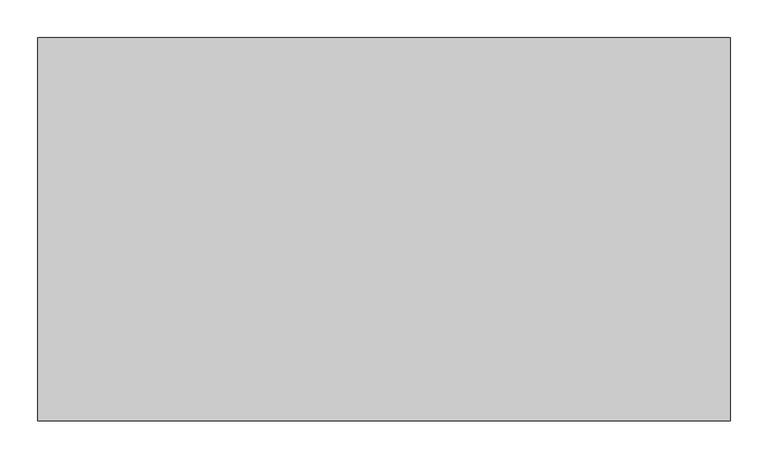
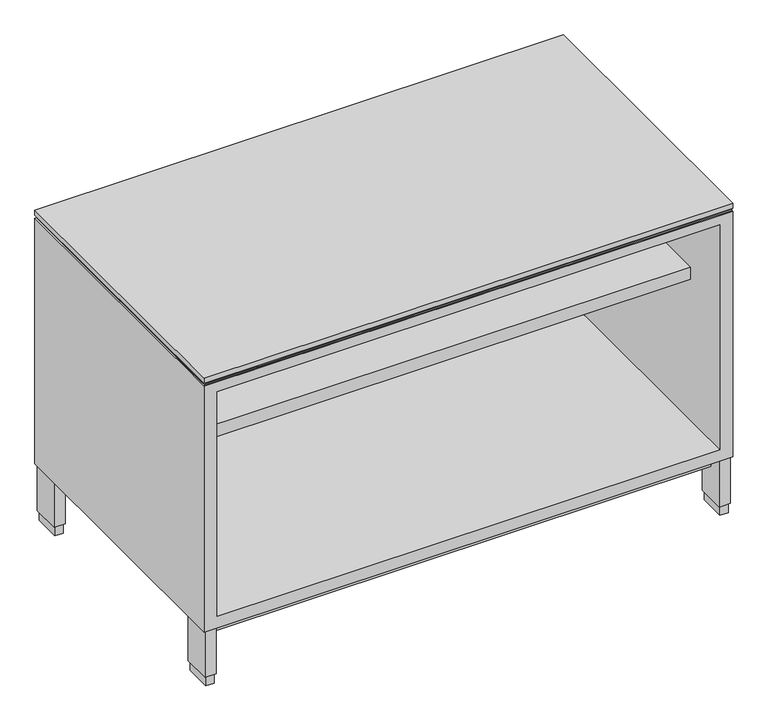
"""IFC4 building model written with IfcOpenShell, lengths in millimetres: furniture geometry."""

from ifc_helpers import new_model, si_unit, frame, origin, origin_with_axes, place, context, project, spatial, polyline, outline, extrude, faceted_brep, source, transform, mapped, element, save


def furniture_362fde4c(model_context):
    return source(origin(), model_context, "Body", "SolidModel", [
        extrude(outline(polyline([(21.2979, -5.715), (21.2979, -52.197), (6.5659, -52.197), (6.5659, -5.715), (21.2979, -5.715)])), origin_with_axes(), (0.0, 0.0, 1.0), 17.399),
        extrude(outline(polyline([(907.8341, -5.715), (907.8341, -52.197), (893.1021, -52.197), (893.1021, -5.715), (907.8341, -5.715)])), origin_with_axes(), (0.0, 0.0, 1.0), 17.399),
        extrude(outline(polyline([(907.8341, -456.057), (907.8341, -502.539), (893.1021, -502.539), (893.1021, -456.057), (907.8341, -456.057)])), origin_with_axes(), (0.0, 0.0, 1.0), 17.399),
        extrude(outline(polyline([(21.2979, -456.057), (21.2979, -502.539), (6.5659, -502.539), (6.5659, -456.057), (21.2979, -456.057)])), origin_with_axes(), (0.0, 0.0, 1.0), 17.399),
        extrude(outline(polyline([(23.4569, -3.556), (23.4569, -54.356), (4.4069, -54.356), (4.4069, -3.556), (23.4569, -3.556)])), frame((0.0, 0.0, 17.399), z_axis=(0.0, 0.0, 1.0), x_axis=(1.0, 0.0, 0.0)), (0.0, 0.0, 1.0), 84.709),
        extrude(outline(polyline([(909.9931, -3.556), (909.9931, -54.356), (890.9431, -54.356), (890.9431, -3.556), (909.9931, -3.556)])), frame((0.0, 0.0, 17.399), z_axis=(0.0, 0.0, 1.0), x_axis=(1.0, 0.0, 0.0)), (0.0, 0.0, 1.0), 84.709),
        extrude(outline(polyline([(909.9931, -453.898), (909.9931, -504.698), (890.9431, -504.698), (890.9431, -453.898), (909.9931, -453.898)])), frame((0.0, 0.0, 17.399), z_axis=(0.0, 0.0, 1.0), x_axis=(1.0, 0.0, 0.0)), (0.0, 0.0, 1.0), 84.709),
        extrude(outline(polyline([(23.4569, -453.898), (23.4569, -504.698), (4.4069, -504.698), (4.4069, -453.898), (23.4569, -453.898)])), frame((0.0, 0.0, 17.399), z_axis=(0.0, 0.0, 1.0), x_axis=(1.0, 0.0, 0.0)), (0.0, 0.0, 1.0), 84.709),
        extrude(outline(polyline([(912.114, -504.444), (3.8735, -504.444), (3.8735, -2.3114), (912.114, -2.3114), (912.114, -504.444)])), frame((0.0, 0.0, 549.783), z_axis=(0.0, 0.0, 1.0), x_axis=(1.0, 0.0, 0.0)), (0.0, 0.0, 1.0), 1.905),
        extrude(outline(polyline([(912.8125, -506.349), (1.5875, -506.349), (1.5875, -1.524), (912.8125, -1.524), (912.8125, -506.349)])), frame((0.0, 0.0, 554.863), z_axis=(0.0, 0.0, 1.0), x_axis=(1.0, 0.0, 0.0)), (0.0, 0.0, 1.0), 9.525),
        extrude(outline(polyline([(890.5875, -419.2524), (23.8125, -419.2524), (23.8125, -23.749), (890.5875, -23.749), (890.5875, -419.2524)])), frame((0.0, 0.0, 380.111), z_axis=(0.0, 0.0, 1.0), x_axis=(1.0, 0.0, 0.0)), (0.0, 0.0, 1.0), 22.225),
        extrude(outline(polyline([(890.9431, -480.5537946), (23.4569, -480.5537946), (23.4569, -26.9983538), (890.9431, -26.9983538), (890.9431, -480.5537946)])), frame((0.0, 0.0, 76.708), z_axis=(0.0, 0.0, 1.0), x_axis=(1.0, 0.0, 0.0)), (0.0, 0.0, 1.0), 25.4),
        faceted_brep([(912.8125, -506.349, 549.783), (1.5875, -506.349, 549.783), (1.5875, -506.349, 102.108), (912.8125, -506.349, 102.108), (23.8125, -506.349, 532.3078), (890.5875, -506.349, 532.3078), (890.5875, -506.349, 122.7582), (23.8125, -506.349, 122.7582), (912.8125, -1.524, 549.783), (912.8125, -1.524, 102.108), (1.5875, -1.524, 102.108), (1.5875, -1.524, 549.783), (890.5875, -23.749, 532.3078), (23.8125, -23.749, 532.3078), (23.8125, -23.749, 122.7582), (890.5875, -23.749, 122.7582)], [[[0, 1, 2, 3], [4, 5, 6, 7]], [[8, 9, 10, 11]], [[1, 0, 8, 11]], [[2, 1, 11, 10]], [[3, 2, 10, 9]], [[0, 3, 9, 8]], [[12, 13, 14, 15]], [[13, 12, 5, 4]], [[14, 13, 4, 7]], [[15, 14, 7, 6]], [[12, 15, 6, 5]]]),
    ])


if __name__ == "__main__":
    model = new_model("IFC4")
    model_context = context("Model", 3, world=origin())
    ifc_project = project(units=[si_unit("LENGTHUNIT", "METRE", prefix="MILLI")], contexts=[model_context])
    site = spatial("IfcSite", under=ifc_project)
    building = spatial("IfcBuilding", under=site)
    placement = place(None, origin())
    furniture_shape = furniture_362fde4c(model_context)
    element("IfcFurniture", 1, at=placement, inside=building, context=model_context, shape_type="MappedRepresentation", body=[
        mapped(furniture_shape, transform((0.0, 0.0, 0.0), x_axis=(1.0, 0.0, 0.0), y_axis=(0.0, 1.0, 0.0), z_axis=(0.0, 0.0, 1.0))),
    ])
    save(model, "model.ifc")
